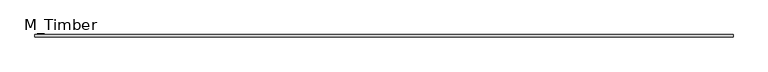
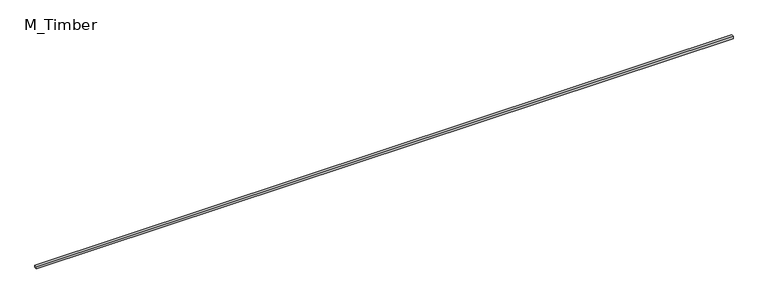
"""IFC4 building model written with IfcOpenShell, lengths in millimetres: beam geometry, M_Timber."""

from ifc_helpers import new_model, si_unit, frame, origin, place, context, project, spatial, polyline, outline, extrude, source, transform, mapped, element, save


def m_timber_78af2821(model_context):
    return source(origin(), model_context, "Body", "SweptSolid", [
        extrude(outline(polyline([(5872.339477, 20.0), (5872.339477, -20.0), (-5872.339477, -20.0), (-5872.339477, 20.0), (5872.339477, 20.0)])), frame((0.0, 0.0, -20.0), z_axis=(0.0, 0.0, 1.0), x_axis=(1.0, 0.0, 0.0)), (0.0, 0.0, 1.0), 40.0),
    ])


if __name__ == "__main__":
    model = new_model("IFC4")
    model_context = context("Model", 3, world=origin())
    ifc_project = project(units=[si_unit("LENGTHUNIT", "METRE", prefix="MILLI")], contexts=[model_context])
    site = spatial("IfcSite", under=ifc_project)
    building = spatial("IfcBuilding", under=site)
    placement = place(None, origin())
    m_timber_shape = m_timber_78af2821(model_context)
    element("IfcBeam", 1, ObjectType="M_Timber", at=placement, inside=building, context=model_context, shape_type="MappedRepresentation", body=[
        mapped(m_timber_shape, transform((0.0, 0.0, 0.0), x_axis=(1.0, 0.0, 0.0), y_axis=(0.0, 1.0, 0.0), z_axis=(0.0, 0.0, 1.0))),
    ])
    save(model, "model.ifc")
